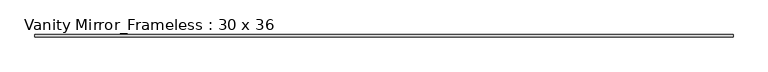
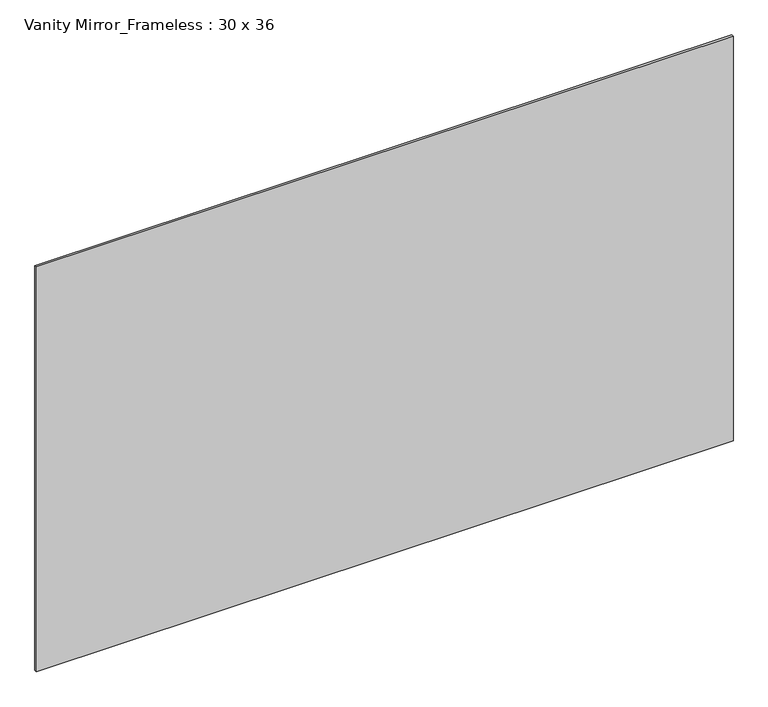
"""IFC4 building model written with IfcOpenShell, lengths in millimetres: furniture geometry, Vanity Mirror_Frameless : 30 x 36."""

from ifc_helpers import new_model, si_unit, frame, origin, place, context, project, spatial, polyline, outline, extrude, source, transform, mapped, element, save


def vanity_mirror_frameless_30_x_36_b652fad7(model_context):
    return source(origin(), model_context, "Body", "SweptSolid", [
        extrude(outline(polyline([(-744.5470512, 80.9625), (744.5470512, 80.9625), (744.5470512, 76.2), (-744.5470512, 76.2), (-744.5470512, 80.9625)])), frame((0.0, 0.0, 762.0), z_axis=(0.0, 0.0, 1.0), x_axis=(1.0, 0.0, 0.0)), (0.0, 0.0, 1.0), 914.4),
    ])


if __name__ == "__main__":
    model = new_model("IFC4")
    model_context = context("Model", 3, world=origin())
    ifc_project = project(units=[si_unit("LENGTHUNIT", "METRE", prefix="MILLI")], contexts=[model_context])
    site = spatial("IfcSite", under=ifc_project)
    building = spatial("IfcBuilding", under=site)
    placement = place(None, origin())
    vanity_mirror_frameless_30_x_36_shape = vanity_mirror_frameless_30_x_36_b652fad7(model_context)
    element("IfcFurniture", 1, ObjectType="Vanity Mirror_Frameless : 30 x 36", at=placement, inside=building, context=model_context, shape_type="MappedRepresentation", body=[
        mapped(vanity_mirror_frameless_30_x_36_shape, transform((0.0, 0.0, 0.0), x_axis=(1.0, 0.0, 0.0), y_axis=(0.0, 1.0, 0.0), z_axis=(0.0, 0.0, 1.0))),
    ])
    save(model, "model.ifc")
